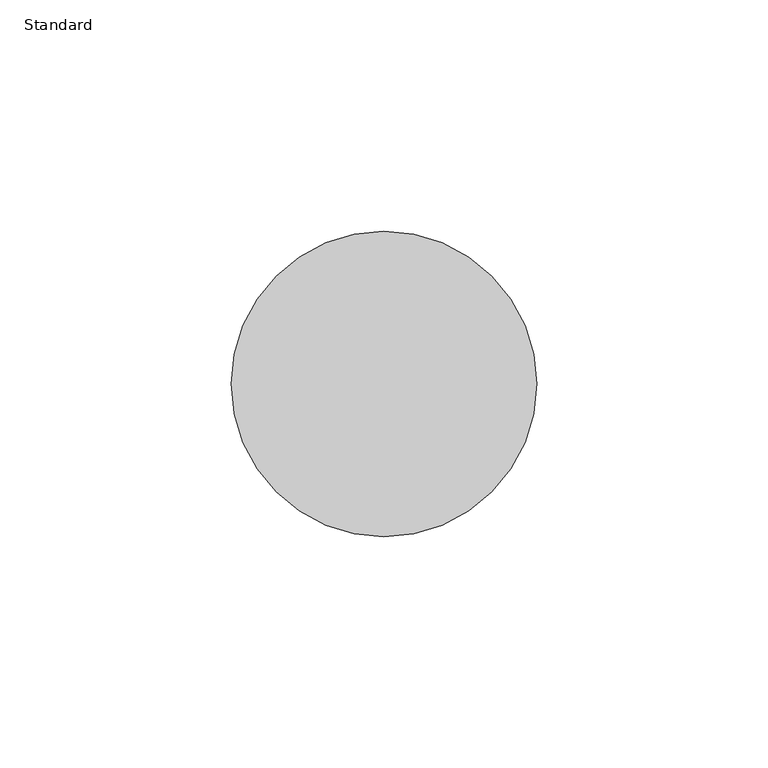
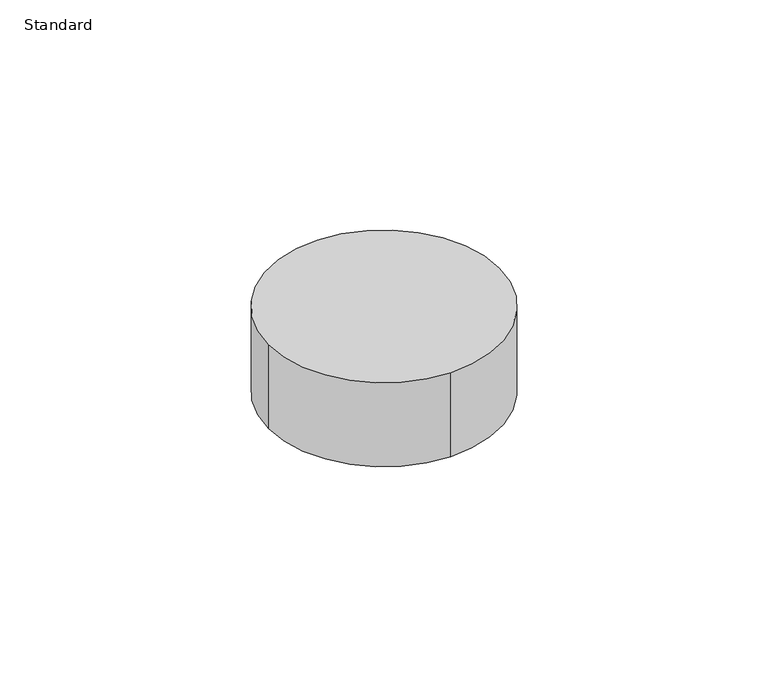
"""IFC4 building model written with IfcOpenShell, lengths in millimetres: geographic element geometry, Standard."""

from ifc_helpers import new_model, si_unit, point, origin, origin_with_axes, origin_2d, place, context, project, spatial, circle_curve, trimmed, segment, composite_curve, outline, extrude, source, transform, mapped, element, save


def standard_40bc0899(model_context):
    return source(origin(), model_context, "Body", "SweptSolid", [
        extrude(outline(composite_curve([segment(trimmed(circle_curve(origin_2d(), 33.0), [point((33.0, 0.0))], [point((0.0, -33.0))], False, "CARTESIAN"), True, "CONTINUOUS"), segment(trimmed(circle_curve(origin_2d(), 33.0), [point((0.0, -33.0))], [point((-33.0, 0.0))], False, "CARTESIAN"), True, "CONTINUOUS"), segment(trimmed(circle_curve(origin_2d(), 33.0), [point((-33.0, 0.0))], [point((0.0, 33.0))], False, "CARTESIAN"), True, "CONTINUOUS"), segment(trimmed(circle_curve(origin_2d(), 33.0), [point((0.0, 33.0))], [point((33.0, 0.0))], False, "CARTESIAN"), True, "CONTINUOUS")], self_intersect=False)), origin_with_axes(), (0.0, 0.0, 1.0), 25.4),
    ])


if __name__ == "__main__":
    model = new_model("IFC4")
    model_context = context("Model", 3, world=origin())
    ifc_project = project(units=[si_unit("LENGTHUNIT", "METRE", prefix="MILLI")], contexts=[model_context])
    site = spatial("IfcSite", under=ifc_project)
    building = spatial("IfcBuilding", under=site)
    placement = place(None, origin())
    standard_shape = standard_40bc0899(model_context)
    element("IfcGeographicElement", 1, ObjectType="Standard", at=placement, inside=building, context=model_context, shape_type="MappedRepresentation", body=[
        mapped(standard_shape, transform((0.0, 0.0, 0.0), x_axis=(1.0, 0.0, 0.0), y_axis=(0.0, 1.0, 0.0), z_axis=(0.0, 0.0, 1.0))),
    ])
    save(model, "model.ifc")
